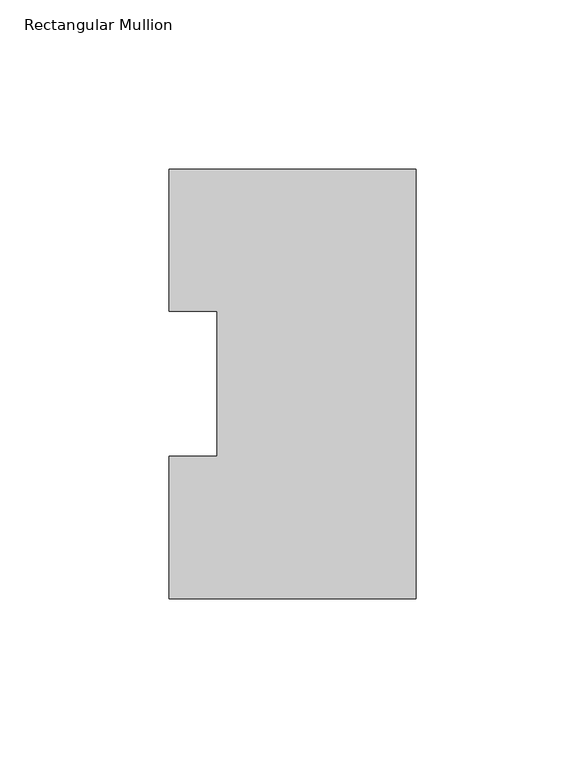
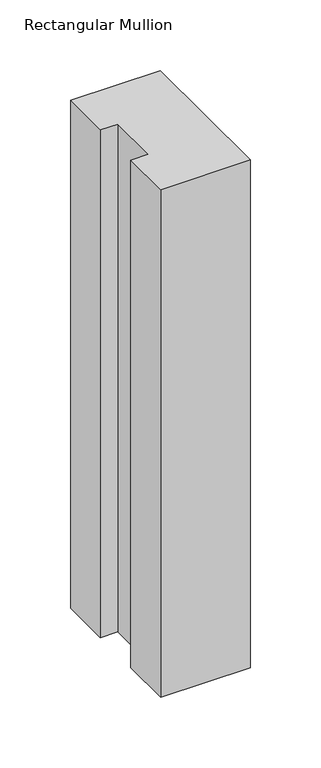
"""IFC4 building model written with IfcOpenShell, lengths in millimetres: member geometry, Rectangular Mullion."""

from ifc_helpers import new_model, si_unit, frame, origin, place, context, project, spatial, polyline, outline, extrude, source, transform, mapped, element, save


def rectangular_mullion_73739d51(model_context):
    return source(origin(), model_context, "Body", "SweptSolid", [
        extrude(outline(polyline([(0.0, 127.00635), (0.0, 0.00635), (-73.025, 0.00635), (-73.025, 42.08145), (-58.7375, 42.08145), (-58.7375, 84.93125), (-73.025, 84.93125), (-73.025, 127.00635), (0.0, 127.00635)])), frame((0.0, 0.0, -438.15), z_axis=(0.0, 0.0, 1.0), x_axis=(1.0, 0.0, 0.0)), (0.0, 0.0, 1.0), 438.15),
    ])


if __name__ == "__main__":
    model = new_model("IFC4")
    model_context = context("Model", 3, world=origin())
    ifc_project = project(units=[si_unit("LENGTHUNIT", "METRE", prefix="MILLI")], contexts=[model_context])
    site = spatial("IfcSite", under=ifc_project)
    building = spatial("IfcBuilding", under=site)
    placement = place(None, origin())
    rectangular_mullion_shape = rectangular_mullion_73739d51(model_context)
    element("IfcMember", 1, ObjectType="Rectangular Mullion", at=placement, inside=building, context=model_context, shape_type="MappedRepresentation", body=[
        mapped(rectangular_mullion_shape, transform((0.0, 0.0, 0.0), x_axis=(1.0, 0.0, 0.0), y_axis=(0.0, 1.0, 0.0), z_axis=(0.0, 0.0, 1.0))),
    ])
    save(model, "model.ifc")
